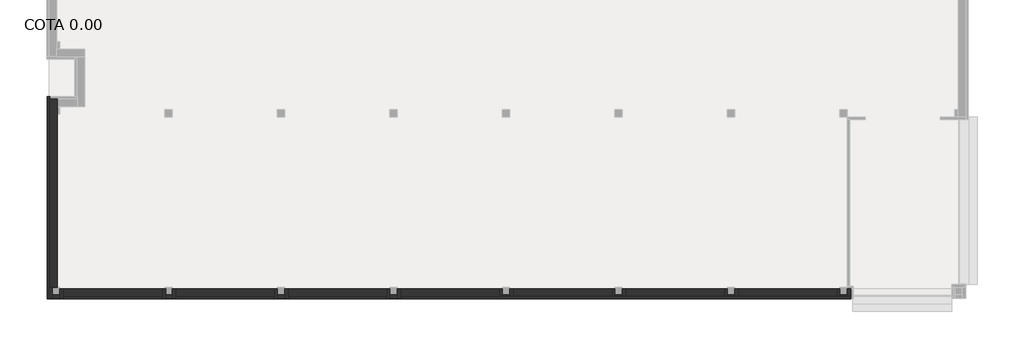
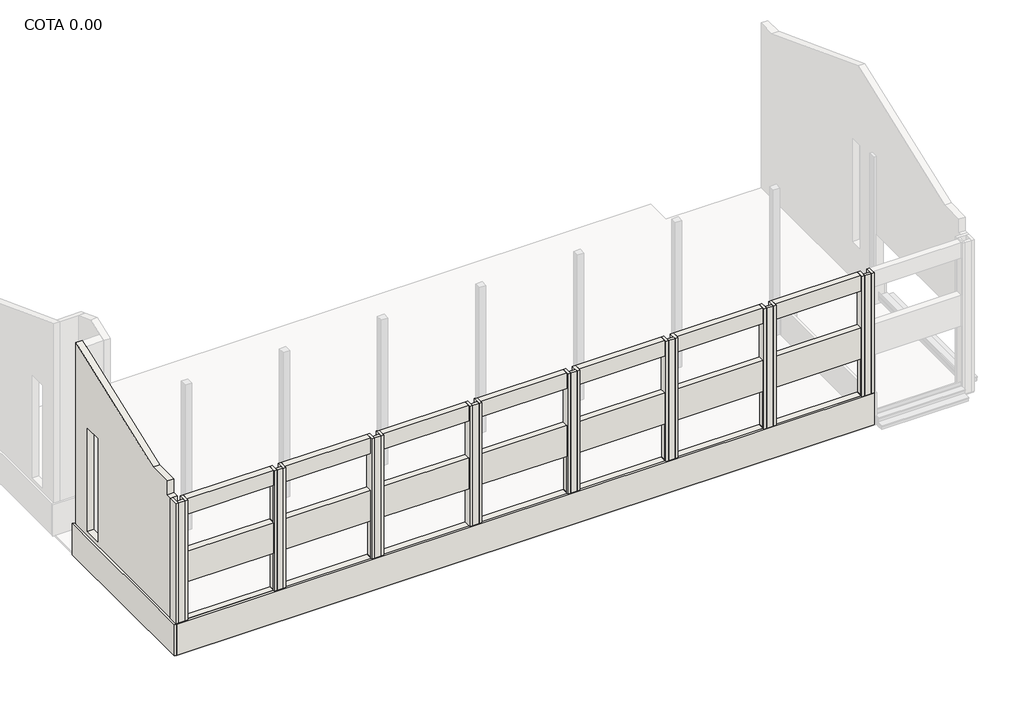
# One storey, part 1 of 3: 34 walls.
"""IFC4 building model written with IfcOpenShell, lengths in millimetres."""

import ifcopenshell
import ifcopenshell.guid

model = None  # the IFC model being written
_history = None  # IfcOwnerHistory: only IFC2X3 demands one
_inside = {}  # id of a spatial element -> (the spatial element, [elements in it])
_under = {}  # id of a project, library or spatial element -> (it, [spatial elements below it])
_declared = {}  # id of a project -> (the project, [libraries it declares])
_typed = {}  # id of a type object -> (the type object, [elements of that type])
_made_of = {}  # id of a material, layer set ... -> (it, [elements and type objects made of it])


def new_model(schema):
    """Start an empty IFC model of exactly this schema.

    Asked for "IFC4X3", IfcOpenShell would pick the latest addendum, in which some entities
    have other attributes; the version numbers below select the first issue.
    IFC2X3 requires an IfcOwnerHistory on every rooted entity: one is made here for all.
    """
    global model, _history
    if schema == "IFC4X3":
        model = ifcopenshell.file(schema_version=(4, 3, 0, 0))
    else:
        model = ifcopenshell.file(schema=schema)
    _inside.clear()
    _under.clear()
    _declared.clear()
    _typed.clear()
    _made_of.clear()
    _history = None
    if model.schema == "IFC2X3":
        org = make("IfcOrganization", Name="unknown")
        user = make(
            "IfcPersonAndOrganization",
            ThePerson=make("IfcPerson", FamilyName="unknown"),
            TheOrganization=org,
        )
        app = make(
            "IfcApplication",
            ApplicationDeveloper=org,
            Version="unknown",
            ApplicationFullName="unknown",
            ApplicationIdentifier="unknown",
        )
        _history = make(
            "IfcOwnerHistory",
            OwningUser=user,
            OwningApplication=app,
            ChangeAction="ADDED",
            CreationDate=0,
        )
    return model


def make(cls, **values):
    """One entity of the class cls with the attributes given. An attribute that is None is left unset."""
    return model.create_entity(
        cls, **{name: value for name, value in values.items() if value is not None}
    )


def rooted(cls, **values):
    """An entity with a GlobalId (a new one), such as an element, a storey or a relation."""
    return make(cls, GlobalId=ifcopenshell.guid.new(), OwnerHistory=_history, **values)


def si_unit(unit_type, name, prefix=None):
    """IfcSIUnit, for example si_unit("LENGTHUNIT", "METRE", prefix="MILLI")."""
    return make("IfcSIUnit", UnitType=unit_type, Prefix=prefix, Name=name)


def assignment(units):
    """IfcUnitAssignment: the units of a project."""
    return None if units is None else make("IfcUnitAssignment", Units=units)


def point(xyz):
    """IfcCartesianPoint."""
    return None if xyz is None else make("IfcCartesianPoint", Coordinates=xyz)


def direction(xyz):
    """IfcDirection."""
    return None if xyz is None else make("IfcDirection", DirectionRatios=xyz)


def frame(location, z_axis=None, x_axis=None):
    """IfcAxis2Placement3D, a coordinate frame: its origin and axes. An axis left out is left unset."""
    return make(
        "IfcAxis2Placement3D",
        Location=point(location),
        Axis=direction(z_axis),
        RefDirection=direction(x_axis),
    )


def origin():
    """The frame at (0, 0, 0) with its axes left unset."""
    return frame((0.0, 0.0, 0.0))


def origin_with_axes():
    """The frame at (0, 0, 0) with the z axis (0, 0, 1) and the x axis (1, 0, 0) written out."""
    return frame((0.0, 0.0, 0.0), z_axis=(0.0, 0.0, 1.0), x_axis=(1.0, 0.0, 0.0))


def place(relative_to, where):
    """IfcLocalPlacement: puts the frame where relative to a parent placement (None: the world)."""
    return make(
        "IfcLocalPlacement", PlacementRelTo=relative_to, RelativePlacement=where
    )


def context(
    kind, dimensions, precision=None, world=None, true_north=None, identifier=None
):
    """IfcGeometricRepresentationContext, for example the 3D "Model" context."""
    return make(
        "IfcGeometricRepresentationContext",
        ContextIdentifier=identifier,
        ContextType=kind,
        CoordinateSpaceDimension=dimensions,
        Precision=precision,
        WorldCoordinateSystem=world,
        TrueNorth=true_north,
    )


def project(units=None, contexts=None):
    """IfcProject with its units and contexts."""
    return rooted(
        "IfcProject",
        Name="project",
        RepresentationContexts=contexts,
        UnitsInContext=assignment(units),
    )


def spatial(cls, under=None, at=None, **own):
    """A site, building, storey or space (cls), placed at a placement, below another one or the project."""
    s = rooted(cls, ObjectPlacement=at, **own)
    if under is not None:
        _under.setdefault(under.id(), (under, []))[1].append(s)
    return s


def polyline(points):
    """IfcPolyline through the points."""
    return make("IfcPolyline", Points=[point(p) for p in points])


def outline(outer, holes=None, kind="AREA"):
    """IfcArbitraryClosedProfileDef: a profile drawn as a closed curve; with holes, ...WithVoids."""
    if holes is None:
        return make("IfcArbitraryClosedProfileDef", ProfileType=kind, OuterCurve=outer)
    return make(
        "IfcArbitraryProfileDefWithVoids",
        ProfileType=kind,
        OuterCurve=outer,
        InnerCurves=holes,
    )


def extrude(swept, where, along, depth):
    """IfcExtrudedAreaSolid: the profile swept, set in the frame where, extruded along a direction by depth."""
    return make(
        "IfcExtrudedAreaSolid",
        SweptArea=swept,
        Position=where,
        ExtrudedDirection=direction(along),
        Depth=depth,
    )


def faces_of(points, faces, orient=None, outer=None):
    """IfcFace entities. A face is a list of loops; a loop is a list of indices into points, from 0.

    orient and outer hold one flag for each loop. By default every Orientation is true, the
    first loop of a face is its IfcFaceOuterBound and the others are IfcFaceBound.
    """
    made = []
    for i, loops in enumerate(faces):
        bounds = []
        for j, loop in enumerate(loops):
            is_outer = j == 0 if outer is None else outer[i][j]
            bounds.append(
                make(
                    "IfcFaceOuterBound" if is_outer else "IfcFaceBound",
                    Bound=make("IfcPolyLoop", Polygon=[points[k] for k in loop]),
                    Orientation=True if orient is None else orient[i][j],
                )
            )
        made.append(make("IfcFace", Bounds=bounds))
    return made


def faceted_brep(points, faces, orient=None, outer=None, voids=None):
    """IfcFacetedBrep: a solid bounded by flat faces; with voids (closed shells), ...WithVoids."""
    shared = [point(p) for p in points]
    hull = make("IfcClosedShell", CfsFaces=faces_of(shared, faces, orient, outer))
    if voids is None:
        return make("IfcFacetedBrep", Outer=hull)
    return make(
        "IfcFacetedBrepWithVoids",
        Outer=hull,
        Voids=[
            make(cls, CfsFaces=faces_of(shared, fs, o, b)) for cls, fs, o, b in voids
        ],
    )


def shape(context_of_items, identifier, shape_type, items):
    """IfcShapeRepresentation: the items that make up one representation, for example the "Body"."""
    return make(
        "IfcShapeRepresentation",
        ContextOfItems=context_of_items,
        RepresentationIdentifier=identifier,
        RepresentationType=shape_type,
        Items=items,
    )


def made_of(thing, what):
    """Note that an element or type object is made of a material, layer set ...; save() writes the relation."""
    if what is not None:
        _made_of.setdefault(what.id(), (what, []))[1].append(thing)
    return thing


def element(
    cls,
    number,
    at=None,
    inside=None,
    cuts=None,
    type_object=None,
    material=None,
    context=None,
    identifier="Body",
    shape_type=None,
    held_by="IfcProductDefinitionShape",
    body=None,
    shapes=None,
    **own,
):
    """One element of the class cls, such as IfcWall. Its Tag is "e" and its number.

    at: its placement. inside: the storey or other place that contains it. cuts: it is an
    opening in that element (IfcRelVoidsElement). A single representation is given by context,
    identifier, shape_type and body (its items); several are given by shapes. held_by: the class
    of the entity that holds the representations. save() writes the other relations.
    """
    e = rooted(cls, Tag="e%d" % number, ObjectPlacement=at, **own)
    if body is not None:
        shapes = [shape(context, identifier, shape_type, body)]
    if shapes is not None:
        e.Representation = make(held_by, Representations=shapes)
    if inside is not None:
        _inside.setdefault(inside.id(), (inside, []))[1].append(e)
    if cuts is not None:
        rooted(
            "IfcRelVoidsElement", RelatingBuildingElement=cuts, RelatedOpeningElement=e
        )
    if type_object is not None:
        _typed.setdefault(type_object.id(), (type_object, []))[1].append(e)
    return made_of(e, material)


def aggregate(whole, parts):
    """IfcRelAggregates: a whole, such as a stair, and the parts it consists of."""
    return rooted("IfcRelAggregates", RelatingObject=whole, RelatedObjects=parts)


def save(model, path):
    """Write the relations noted so far, then the file.

    IfcRelAggregates (storeys below a building ...), IfcRelContainedInSpatialStructure (elements
    in a storey), IfcRelDefinesByType, IfcRelAssociatesMaterial and IfcRelDeclares: one each for
    every whole, place, type object, material and project.
    """
    for whole, parts in _under.values():
        aggregate(whole, parts)
    for where, things in _inside.values():
        rooted(
            "IfcRelContainedInSpatialStructure",
            RelatedElements=things,
            RelatingStructure=where,
        )
    for kind, things in _typed.values():
        rooted("IfcRelDefinesByType", RelatedObjects=things, RelatingType=kind)
    for what, things in _made_of.values():
        rooted("IfcRelAssociatesMaterial", RelatedObjects=things, RelatingMaterial=what)
    for by, libraries in _declared.values():
        rooted("IfcRelDeclares", RelatingContext=by, RelatedDefinitions=libraries)
    model.write(path)


model = new_model("IFC4")

# Units and contexts
model_context = context("Model", 3, world=origin())
ifc_project = project(units=[si_unit("LENGTHUNIT", "METRE", prefix="MILLI")], contexts=[model_context])

# Site, building, storey
site = spatial("IfcSite", under=ifc_project)
building = spatial("IfcBuilding", under=site)
storey = spatial("IfcBuildingStorey", under=building, Name="COTA 0.00", Elevation=0.0)

# Walls
placement = place(None, origin())
element("IfcWall", 1, at=placement, inside=storey, context=model_context, shape_type="Brep", body=[
    faceted_brep([(-20786.9563501, -6652.6875201, 0.0), (-20786.9563501, -6552.6875201, 0.0), (-20786.9563501, 1357.3124799, 0.0), (-20786.9563501, 1457.3124799, 0.0), (-20786.9563501, 1457.3124799, 1514.4), (-20786.9563501, 1357.3124799, 1514.4), (-20786.9563501, -6552.6875201, 1514.4), (-20786.9563501, -6652.6875201, 1514.4), (-20886.9563501, -6652.6875201, 0.0), (-20886.9563501, -6652.6875201, 1514.4), (-20886.9563501, 1457.3124799, 1514.4), (-20886.9563501, 1457.3124799, 0.0)], [[[0, 1, 2, 3, 4, 5, 6, 7]], [[8, 9, 10, 11]], [[3, 2, 1, 0, 8, 11]], [[7, 6, 5, 4, 10, 9]], [[4, 3, 11, 10]], [[0, 7, 9, 8]]]),
])
element("IfcWall", 2, at=placement, inside=storey, context=model_context, shape_type="SweptSolid", body=[
    extrude(outline(polyline([(-20786.9563501, -6552.6875201), (11248.0436499, -6552.6875201), (11248.0436499, -6652.6875201), (-20786.9563501, -6652.6875201), (-20786.9563501, -6552.6875201)])), origin_with_axes(), (0.0, 0.0, 1.0), 1514.4),
])
element("IfcWall", 3, ObjectType="MEX_13 cm", at=placement, inside=storey, context=model_context, shape_type="Brep", body=[
    faceted_brep([(-20816.9563501, -6192.6875201, 0.0), (-20816.9563501, -6622.6875201, 0.0), (-20816.9563501, -6622.6875201, 7350.0), (-20816.9563501, -6192.6875201, 7350.0), (-20686.9563501, -6192.6875201, 0.0), (-20686.9563501, -6192.6875201, 7350.0), (-20686.9563501, -6492.6875201, 7350.0), (-20686.9563501, -6622.6875201, 7350.0), (-20686.9563501, -6622.6875201, 0.0), (-20686.9563501, -6492.6875201, 0.0), (-20786.9563501, -6192.6875201, 0.0), (-20786.9563501, -6192.6875201, 7350.0)], [[[0, 1, 2, 3]], [[4, 5, 6, 7, 8, 9]], [[1, 0, 10, 4, 9, 8]], [[3, 2, 7, 6, 5, 11]], [[0, 3, 11, 5, 4, 10]], [[2, 1, 8, 7]]]),
])
element("IfcWall", 4, ObjectType="MEX_13 cm", at=placement, inside=storey, context=model_context, shape_type="SweptSolid", body=[
    extrude(outline(polyline([(-20386.9563501, -6622.6875201), (-20686.9563501, -6622.6875201), (-20686.9563501, -6492.6875201), (-20386.9563501, -6492.6875201), (-20386.9563501, -6622.6875201)])), origin_with_axes(), (0.0, 0.0, 1.0), 7350.0),
])
element("IfcWall", 5, ObjectType="MEX_13 cm", at=placement, inside=storey, context=model_context, shape_type="Brep", body=[
    faceted_brep([(-11816.9563501, -6252.6875201, 0.0), (-11816.9563501, -6552.6875201, 0.0), (-11816.9563501, -6622.6875201, 0.0), (-11816.9563501, -6622.6875201, 7350.0), (-11816.9563501, -6552.6875201, 7350.0), (-11816.9563501, -6252.6875201, 7350.0), (-11816.9563501, -6252.6875201, 6604.4), (-11816.9563501, -6252.6875201, 4804.4), (-11816.9563501, -6252.6875201, 3314.4), (-11816.9563501, -6552.6875201, 3314.4), (-11816.9563501, -6552.6875201, 1514.4), (-11816.9563501, -6252.6875201, 1514.4), (-11686.9563501, -6622.6875201, 0.0), (-11686.9563501, -6492.6875201, 0.0), (-11686.9563501, -6252.6875201, 0.0), (-11686.9563501, -6252.6875201, 7350.0), (-11686.9563501, -6492.6875201, 7350.0), (-11686.9563501, -6622.6875201, 7350.0), (-11786.9563501, -6252.6875201, 1514.4), (-11786.9563501, -6252.6875201, 3314.4), (-11786.9563501, -6552.6875201, 3314.4), (-11786.9563501, -6552.6875201, 1514.4)], [[[0, 1, 2, 3, 4, 5, 6, 7, 8, 9, 10, 11]], [[12, 13, 14, 15, 16, 17]], [[2, 1, 0, 14, 13, 12]], [[5, 4, 3, 17, 16, 15]], [[3, 2, 12, 17]], [[5, 15, 14, 0, 11, 18, 19, 8, 7, 6]], [[20, 21, 10, 9]], [[19, 20, 9, 8]], [[21, 18, 11, 10]], [[21, 20, 19, 18]]]),
])
element("IfcWall", 6, ObjectType="MEX_13 cm", at=placement, inside=storey, context=model_context, shape_type="SweptSolid", body=[
    extrude(outline(polyline([(-11386.9563501, -6622.6875201), (-11686.9563501, -6622.6875201), (-11686.9563501, -6492.6875201), (-11386.9563501, -6492.6875201), (-11386.9563501, -6622.6875201)])), origin_with_axes(), (0.0, 0.0, 1.0), 7350.0),
])
element("IfcWall", 7, ObjectType="MEX_13 cm", at=placement, inside=storey, context=model_context, shape_type="Brep", body=[
    faceted_brep([(-11256.9563501, -6622.6875201, 0.0), (-11256.9563501, -6552.6875201, 0.0), (-11256.9563501, -6252.6875201, 0.0), (-11256.9563501, -6252.6875201, 1514.4), (-11256.9563501, -6552.6875201, 1514.4), (-11256.9563501, -6552.6875201, 3314.4), (-11256.9563501, -6252.6875201, 3314.4), (-11256.9563501, -6252.6875201, 4804.4), (-11256.9563501, -6552.6875201, 4804.4), (-11256.9563501, -6552.6875201, 6604.4), (-11256.9563501, -6252.6875201, 6604.4), (-11256.9563501, -6252.6875201, 7350.0), (-11256.9563501, -6552.6875201, 7350.0), (-11256.9563501, -6622.6875201, 7350.0), (-11256.9563501, -6622.6875201, 6578.0), (-11256.9563501, -6622.6875201, 1514.4), (-11386.9563501, -6252.6875201, 0.0), (-11386.9563501, -6492.6875201, 0.0), (-11386.9563501, -6622.6875201, 0.0), (-11386.9563501, -6622.6875201, 7350.0), (-11386.9563501, -6492.6875201, 7350.0), (-11386.9563501, -6252.6875201, 7350.0), (-11286.9563501, -6552.6875201, 1514.4), (-11286.9563501, -6552.6875201, 3314.4), (-11286.9563501, -6252.6875201, 3314.4), (-11286.9563501, -6252.6875201, 1514.4), (-11286.9563501, -6552.6875201, 4804.4), (-11286.9563501, -6552.6875201, 6604.4), (-11286.9563501, -6252.6875201, 6604.4), (-11286.9563501, -6252.6875201, 4804.4)], [[[0, 1, 2, 3, 4, 5, 6, 7, 8, 9, 10, 11, 12, 13, 14, 15]], [[16, 17, 18, 19, 20, 21]], [[2, 1, 0, 18, 17, 16]], [[13, 12, 11, 21, 20, 19]], [[22, 23, 5, 4]], [[23, 24, 6, 5]], [[23, 22, 25, 24]], [[25, 22, 4, 3]], [[26, 27, 9, 8]], [[27, 28, 10, 9]], [[27, 26, 29, 28]], [[29, 26, 8, 7]], [[13, 19, 18, 0, 15, 14]], [[2, 16, 21, 11, 10, 28, 29, 7, 6, 24, 25, 3]]]),
])
element("IfcWall", 8, ObjectType="MEX_13 cm", at=placement, inside=storey, context=model_context, shape_type="Brep", body=[
    faceted_brep([(-7316.9563501, -6252.6875201, 0.0), (-7316.9563501, -6552.6875201, 0.0), (-7316.9563501, -6622.6875201, 0.0), (-7316.9563501, -6622.6875201, 1514.4), (-7316.9563501, -6622.6875201, 6578.0), (-7316.9563501, -6622.6875201, 7350.0), (-7316.9563501, -6552.6875201, 7350.0), (-7316.9563501, -6252.6875201, 7350.0), (-7316.9563501, -6252.6875201, 6604.4), (-7316.9563501, -6252.6875201, 4804.4), (-7316.9563501, -6252.6875201, 3314.4), (-7316.9563501, -6252.6875201, 1514.4), (-7186.9563501, -6252.6875201, 0.0), (-7186.9563501, -6252.6875201, 7350.0), (-7186.9563501, -6492.6875201, 7350.0), (-7186.9563501, -6622.6875201, 7350.0), (-7186.9563501, -6622.6875201, 0.0), (-7186.9563501, -6492.6875201, 0.0)], [[[0, 1, 2, 3, 4, 5, 6, 7, 8, 9, 10, 11]], [[12, 13, 14, 15, 16, 17]], [[2, 1, 0, 12, 17, 16]], [[7, 6, 5, 15, 14, 13]], [[2, 16, 15, 5, 4, 3]], [[0, 11, 10, 9, 8, 7, 13, 12]]]),
])
element("IfcWall", 9, ObjectType="MEX_13 cm", at=placement, inside=storey, context=model_context, shape_type="SweptSolid", body=[
    extrude(outline(polyline([(-6886.9563501, -6622.6875201), (-7186.9563501, -6622.6875201), (-7186.9563501, -6492.6875201), (-6886.9563501, -6492.6875201), (-6886.9563501, -6622.6875201)])), origin_with_axes(), (0.0, 0.0, 1.0), 7350.0),
])
element("IfcWall", 10, ObjectType="MEX_13 cm", at=placement, inside=storey, context=model_context, shape_type="Brep", body=[
    faceted_brep([(-6756.9563501, -6622.6875201, 0.0), (-6756.9563501, -6552.6875201, 0.0), (-6756.9563501, -6252.6875201, 0.0), (-6756.9563501, -6252.6875201, 1514.4), (-6756.9563501, -6552.6875201, 1514.4), (-6756.9563501, -6552.6875201, 3314.4), (-6756.9563501, -6252.6875201, 3314.4), (-6756.9563501, -6252.6875201, 4804.4), (-6756.9563501, -6552.6875201, 4804.4), (-6756.9563501, -6552.6875201, 6604.4), (-6756.9563501, -6252.6875201, 6604.4), (-6756.9563501, -6252.6875201, 7350.0), (-6756.9563501, -6552.6875201, 7350.0), (-6756.9563501, -6622.6875201, 7350.0), (-6886.9563501, -6252.6875201, 0.0), (-6886.9563501, -6492.6875201, 0.0), (-6886.9563501, -6622.6875201, 0.0), (-6886.9563501, -6622.6875201, 7350.0), (-6886.9563501, -6492.6875201, 7350.0), (-6886.9563501, -6252.6875201, 7350.0), (-6786.9563501, -6252.6875201, 6604.4), (-6786.9563501, -6252.6875201, 4804.4), (-6786.9563501, -6252.6875201, 3314.4), (-6786.9563501, -6252.6875201, 1514.4), (-6786.9563501, -6552.6875201, 1514.4), (-6786.9563501, -6552.6875201, 3314.4), (-6786.9563501, -6552.6875201, 4804.4), (-6786.9563501, -6552.6875201, 6604.4)], [[[0, 1, 2, 3, 4, 5, 6, 7, 8, 9, 10, 11, 12, 13]], [[14, 15, 16, 17, 18, 19]], [[2, 1, 0, 16, 15, 14]], [[13, 12, 11, 19, 18, 17]], [[2, 14, 19, 11, 10, 20, 21, 7, 6, 22, 23, 3]], [[24, 25, 5, 4]], [[25, 22, 6, 5]], [[25, 24, 23, 22]], [[23, 24, 4, 3]], [[26, 27, 9, 8]], [[27, 20, 10, 9]], [[27, 26, 21, 20]], [[21, 26, 8, 7]], [[13, 17, 16, 0]]]),
])
element("IfcWall", 11, ObjectType="MEX_13 cm", at=placement, inside=storey, context=model_context, shape_type="Brep", body=[
    faceted_brep([(-2816.9563501, -6252.6875201, 0.0), (-2816.9563501, -6552.6875201, 0.0), (-2816.9563501, -6622.6875201, 0.0), (-2816.9563501, -6622.6875201, 7350.0), (-2816.9563501, -6552.6875201, 7350.0), (-2816.9563501, -6252.6875201, 7350.0), (-2816.9563501, -6252.6875201, 6604.4), (-2816.9563501, -6252.6875201, 4804.4), (-2816.9563501, -6252.6875201, 3314.4), (-2816.9563501, -6552.6875201, 3314.4), (-2816.9563501, -6552.6875201, 1514.4), (-2816.9563501, -6252.6875201, 1514.4), (-2686.9563501, -6622.6875201, 0.0), (-2686.9563501, -6492.6875201, 0.0), (-2686.9563501, -6252.6875201, 0.0), (-2686.9563501, -6252.6875201, 7350.0), (-2686.9563501, -6492.6875201, 7350.0), (-2686.9563501, -6622.6875201, 7350.0), (-2786.9563501, -6252.6875201, 1514.4), (-2786.9563501, -6252.6875201, 3314.4), (-2786.9563501, -6552.6875201, 3314.4), (-2786.9563501, -6552.6875201, 1514.4)], [[[0, 1, 2, 3, 4, 5, 6, 7, 8, 9, 10, 11]], [[12, 13, 14, 15, 16, 17]], [[2, 1, 0, 14, 13, 12]], [[5, 4, 3, 17, 16, 15]], [[5, 15, 14, 0, 11, 18, 19, 8, 7, 6]], [[20, 21, 10, 9]], [[21, 20, 19, 18]], [[19, 20, 9, 8]], [[21, 18, 11, 10]], [[2, 12, 17, 3]]]),
])
element("IfcWall", 12, ObjectType="MEX_13 cm", at=placement, inside=storey, context=model_context, shape_type="SweptSolid", body=[
    extrude(outline(polyline([(-2386.9563501, -6622.6875201), (-2686.9563501, -6622.6875201), (-2686.9563501, -6492.6875201), (-2386.9563501, -6492.6875201), (-2386.9563501, -6622.6875201)])), origin_with_axes(), (0.0, 0.0, 1.0), 7350.0),
])
element("IfcWall", 13, ObjectType="MEX_13 cm", at=placement, inside=storey, context=model_context, shape_type="Brep", body=[
    faceted_brep([(-2256.9563501, -6622.6875201, 0.0), (-2256.9563501, -6552.6875201, 0.0), (-2256.9563501, -6252.6875201, 0.0), (-2256.9563501, -6252.6875201, 1514.4), (-2256.9563501, -6552.6875201, 1514.4), (-2256.9563501, -6552.6875201, 3314.4), (-2256.9563501, -6252.6875201, 3314.4), (-2256.9563501, -6252.6875201, 4804.4), (-2256.9563501, -6552.6875201, 4804.4), (-2256.9563501, -6552.6875201, 6604.4), (-2256.9563501, -6252.6875201, 6604.4), (-2256.9563501, -6252.6875201, 7350.0), (-2256.9563501, -6552.6875201, 7350.0), (-2256.9563501, -6622.6875201, 7350.0), (-2386.9563501, -6252.6875201, 0.0), (-2386.9563501, -6492.6875201, 0.0), (-2386.9563501, -6622.6875201, 0.0), (-2386.9563501, -6622.6875201, 7350.0), (-2386.9563501, -6492.6875201, 7350.0), (-2386.9563501, -6252.6875201, 7350.0), (-2286.9563501, -6252.6875201, 6604.4), (-2286.9563501, -6252.6875201, 4804.4), (-2286.9563501, -6252.6875201, 3314.4), (-2286.9563501, -6252.6875201, 1514.4), (-2286.9563501, -6552.6875201, 1514.4), (-2286.9563501, -6552.6875201, 3314.4), (-2286.9563501, -6552.6875201, 4804.4), (-2286.9563501, -6552.6875201, 6604.4)], [[[0, 1, 2, 3, 4, 5, 6, 7, 8, 9, 10, 11, 12, 13]], [[14, 15, 16, 17, 18, 19]], [[2, 1, 0, 16, 15, 14]], [[13, 12, 11, 19, 18, 17]], [[2, 14, 19, 11, 10, 20, 21, 7, 6, 22, 23, 3]], [[24, 25, 5, 4]], [[25, 22, 6, 5]], [[25, 24, 23, 22]], [[23, 24, 4, 3]], [[26, 27, 9, 8]], [[27, 20, 10, 9]], [[27, 26, 21, 20]], [[21, 26, 8, 7]], [[13, 17, 16, 0]]]),
])
element("IfcWall", 14, ObjectType="MEX_13 cm", at=placement, inside=storey, context=model_context, shape_type="Brep", body=[
    faceted_brep([(1683.0436499, -6252.6875201, 0.0), (1683.0436499, -6552.6875201, 0.0), (1683.0436499, -6622.6875201, 0.0), (1683.0436499, -6622.6875201, 7350.0), (1683.0436499, -6552.6875201, 7350.0), (1683.0436499, -6252.6875201, 7350.0), (1683.0436499, -6252.6875201, 6604.4), (1683.0436499, -6252.6875201, 4804.4), (1683.0436499, -6252.6875201, 3314.4), (1683.0436499, -6552.6875201, 3314.4), (1683.0436499, -6552.6875201, 1514.4), (1683.0436499, -6252.6875201, 1514.4), (1813.0436499, -6622.6875201, 0.0), (1813.0436499, -6492.6875201, 0.0), (1813.0436499, -6252.6875201, 0.0), (1813.0436499, -6252.6875201, 7350.0), (1813.0436499, -6492.6875201, 7350.0), (1813.0436499, -6622.6875201, 7350.0), (1713.0436499, -6252.6875201, 1514.4), (1713.0436499, -6252.6875201, 3314.4), (1713.0436499, -6552.6875201, 3314.4), (1713.0436499, -6552.6875201, 1514.4)], [[[0, 1, 2, 3, 4, 5, 6, 7, 8, 9, 10, 11]], [[12, 13, 14, 15, 16, 17]], [[2, 1, 0, 14, 13, 12]], [[5, 4, 3, 17, 16, 15]], [[5, 15, 14, 0, 11, 18, 19, 8, 7, 6]], [[20, 21, 10, 9]], [[21, 20, 19, 18]], [[19, 20, 9, 8]], [[21, 18, 11, 10]], [[2, 12, 17, 3]]]),
])
element("IfcWall", 15, ObjectType="MEX_13 cm", at=placement, inside=storey, context=model_context, shape_type="SweptSolid", body=[
    extrude(outline(polyline([(2113.0436499, -6622.6875201), (1813.0436499, -6622.6875201), (1813.0436499, -6492.6875201), (2113.0436499, -6492.6875201), (2113.0436499, -6622.6875201)])), origin_with_axes(), (0.0, 0.0, 1.0), 7350.0),
])
element("IfcWall", 16, ObjectType="MEX_13 cm", at=placement, inside=storey, context=model_context, shape_type="Brep", body=[
    faceted_brep([(2243.0436499, -6622.6875201, 0.0), (2243.0436499, -6552.6875201, 0.0), (2243.0436499, -6252.6875201, 0.0), (2243.0436499, -6252.6875201, 1514.4), (2243.0436499, -6552.6875201, 1514.4), (2243.0436499, -6552.6875201, 3314.4), (2243.0436499, -6252.6875201, 3314.4), (2243.0436499, -6252.6875201, 4804.4), (2243.0436499, -6552.6875201, 4804.4), (2243.0436499, -6552.6875201, 6604.4), (2243.0436499, -6252.6875201, 6604.4), (2243.0436499, -6252.6875201, 7350.0), (2243.0436499, -6552.6875201, 7350.0), (2243.0436499, -6622.6875201, 7350.0), (2113.0436499, -6252.6875201, 0.0), (2113.0436499, -6492.6875201, 0.0), (2113.0436499, -6622.6875201, 0.0), (2113.0436499, -6622.6875201, 7350.0), (2113.0436499, -6492.6875201, 7350.0), (2113.0436499, -6252.6875201, 7350.0), (2213.0436499, -6252.6875201, 6604.4), (2213.0436499, -6252.6875201, 4804.4), (2213.0436499, -6252.6875201, 3314.4), (2213.0436499, -6252.6875201, 1514.4), (2213.0436499, -6552.6875201, 1514.4), (2213.0436499, -6552.6875201, 3314.4), (2213.0436499, -6552.6875201, 4804.4), (2213.0436499, -6552.6875201, 6604.4)], [[[0, 1, 2, 3, 4, 5, 6, 7, 8, 9, 10, 11, 12, 13]], [[14, 15, 16, 17, 18, 19]], [[2, 1, 0, 16, 15, 14]], [[13, 12, 11, 19, 18, 17]], [[2, 14, 19, 11, 10, 20, 21, 7, 6, 22, 23, 3]], [[24, 25, 5, 4]], [[25, 22, 6, 5]], [[25, 24, 23, 22]], [[23, 24, 4, 3]], [[26, 27, 9, 8]], [[27, 20, 10, 9]], [[27, 26, 21, 20]], [[21, 26, 8, 7]], [[13, 17, 16, 0]]]),
])
element("IfcWall", 17, ObjectType="MEX_13 cm", at=placement, inside=storey, context=model_context, shape_type="Brep", body=[
    faceted_brep([(6183.0436499, -6252.6875201, 0.0), (6183.0436499, -6552.6875201, 0.0), (6183.0436499, -6622.6875201, 0.0), (6183.0436499, -6622.6875201, 7350.0), (6183.0436499, -6552.6875201, 7350.0), (6183.0436499, -6252.6875201, 7350.0), (6183.0436499, -6252.6875201, 6604.4), (6183.0436499, -6252.6875201, 4804.4), (6183.0436499, -6252.6875201, 3314.4), (6183.0436499, -6552.6875201, 3314.4), (6183.0436499, -6552.6875201, 1514.4), (6183.0436499, -6252.6875201, 1514.4), (6313.0436499, -6622.6875201, 0.0), (6313.0436499, -6492.6875201, 0.0), (6313.0436499, -6252.6875201, 0.0), (6313.0436499, -6252.6875201, 7350.0), (6313.0436499, -6492.6875201, 7350.0), (6313.0436499, -6622.6875201, 7350.0), (6213.0436499, -6252.6875201, 1514.4), (6213.0436499, -6252.6875201, 3314.4), (6213.0436499, -6552.6875201, 3314.4), (6213.0436499, -6552.6875201, 1514.4)], [[[0, 1, 2, 3, 4, 5, 6, 7, 8, 9, 10, 11]], [[12, 13, 14, 15, 16, 17]], [[2, 1, 0, 14, 13, 12]], [[5, 4, 3, 17, 16, 15]], [[5, 15, 14, 0, 11, 18, 19, 8, 7, 6]], [[20, 21, 10, 9]], [[21, 20, 19, 18]], [[19, 20, 9, 8]], [[21, 18, 11, 10]], [[2, 12, 17, 3]]]),
])
element("IfcWall", 18, ObjectType="MEX_13 cm", at=placement, inside=storey, context=model_context, shape_type="SweptSolid", body=[
    extrude(outline(polyline([(6613.0436499, -6622.6875201), (6313.0436499, -6622.6875201), (6313.0436499, -6492.6875201), (6613.0436499, -6492.6875201), (6613.0436499, -6622.6875201)])), origin_with_axes(), (0.0, 0.0, 1.0), 7350.0),
])
element("IfcWall", 19, ObjectType="MEX_13 cm", at=placement, inside=storey, context=model_context, shape_type="Brep", body=[
    faceted_brep([(6743.0436499, -6622.6875201, 0.0), (6743.0436499, -6552.6875201, 0.0), (6743.0436499, -6252.6875201, 0.0), (6743.0436499, -6252.6875201, 1514.4), (6743.0436499, -6552.6875201, 1514.4), (6743.0436499, -6552.6875201, 3314.4), (6743.0436499, -6252.6875201, 3314.4), (6743.0436499, -6252.6875201, 4804.4), (6743.0436499, -6552.6875201, 4804.4), (6743.0436499, -6552.6875201, 6604.4), (6743.0436499, -6252.6875201, 6604.4), (6743.0436499, -6252.6875201, 7350.0), (6743.0436499, -6552.6875201, 7350.0), (6743.0436499, -6622.6875201, 7350.0), (6613.0436499, -6252.6875201, 0.0), (6613.0436499, -6492.6875201, 0.0), (6613.0436499, -6622.6875201, 0.0), (6613.0436499, -6622.6875201, 7350.0), (6613.0436499, -6492.6875201, 7350.0), (6613.0436499, -6252.6875201, 7350.0), (6713.0436499, -6252.6875201, 6604.4), (6713.0436499, -6252.6875201, 4804.4), (6713.0436499, -6252.6875201, 3314.4), (6713.0436499, -6252.6875201, 1514.4), (6713.0436499, -6552.6875201, 1514.4), (6713.0436499, -6552.6875201, 3314.4), (6713.0436499, -6552.6875201, 4804.4), (6713.0436499, -6552.6875201, 6604.4)], [[[0, 1, 2, 3, 4, 5, 6, 7, 8, 9, 10, 11, 12, 13]], [[14, 15, 16, 17, 18, 19]], [[2, 1, 0, 16, 15, 14]], [[13, 12, 11, 19, 18, 17]], [[2, 14, 19, 11, 10, 20, 21, 7, 6, 22, 23, 3]], [[24, 25, 5, 4]], [[25, 22, 6, 5]], [[25, 24, 23, 22]], [[23, 24, 4, 3]], [[26, 27, 9, 8]], [[27, 20, 10, 9]], [[27, 26, 21, 20]], [[21, 26, 8, 7]], [[13, 17, 16, 0]]]),
])
element("IfcWall", 20, ObjectType="MEX_13 cm", at=placement, inside=storey, context=model_context, shape_type="Brep", body=[
    faceted_brep([(10683.0436499, -6252.6875201, 0.0), (10683.0436499, -6552.6875201, 0.0), (10683.0436499, -6622.6875201, 0.0), (10683.0436499, -6622.6875201, 7350.0), (10683.0436499, -6552.6875201, 7350.0), (10683.0436499, -6252.6875201, 7350.0), (10683.0436499, -6252.6875201, 6604.4), (10683.0436499, -6252.6875201, 4804.4), (10683.0436499, -6252.6875201, 3314.4), (10683.0436499, -6552.6875201, 3314.4), (10683.0436499, -6552.6875201, 1514.4), (10683.0436499, -6252.6875201, 1514.4), (10813.0436499, -6622.6875201, 0.0), (10813.0436499, -6492.6875201, 0.0), (10813.0436499, -6252.6875201, 0.0), (10813.0436499, -6252.6875201, 7350.0), (10813.0436499, -6492.6875201, 7350.0), (10813.0436499, -6622.6875201, 7350.0), (10713.0436499, -6252.6875201, 1514.4), (10713.0436499, -6252.6875201, 3314.4), (10713.0436499, -6552.6875201, 3314.4), (10713.0436499, -6552.6875201, 1514.4)], [[[0, 1, 2, 3, 4, 5, 6, 7, 8, 9, 10, 11]], [[12, 13, 14, 15, 16, 17]], [[2, 1, 0, 14, 13, 12]], [[5, 4, 3, 17, 16, 15]], [[5, 15, 14, 0, 11, 18, 19, 8, 7, 6]], [[20, 21, 10, 9]], [[21, 20, 19, 18]], [[19, 20, 9, 8]], [[21, 18, 11, 10]], [[2, 12, 17, 3]]]),
])
element("IfcWall", 21, ObjectType="MEX_13 cm", at=placement, inside=storey, context=model_context, shape_type="SweptSolid", body=[
    extrude(outline(polyline([(11113.0436499, -6622.6875201), (10813.0436499, -6622.6875201), (10813.0436499, -6492.6875201), (11113.0436499, -6492.6875201), (11113.0436499, -6622.6875201)])), origin_with_axes(), (0.0, 0.0, 1.0), 7350.0),
])
element("IfcWall", 22, ObjectType="MEX_13 cm", at=placement, inside=storey, context=model_context, shape_type="Brep", body=[
    faceted_brep([(11243.0436499, -6622.6875201, 7350.0), (11243.0436499, -6622.6875201, 0.0), (11243.0436499, -6552.6875201, 0.0), (11243.0436499, -6252.6875201, 0.0), (11243.0436499, -6252.6875201, 7350.0), (11243.0436499, -6552.6875201, 7350.0), (11113.0436499, -6622.6875201, 0.0), (11113.0436499, -6622.6875201, 7350.0), (11113.0436499, -6492.6875201, 7350.0), (11113.0436499, -6252.6875201, 7350.0), (11113.0436499, -6252.6875201, 0.0), (11113.0436499, -6492.6875201, 0.0)], [[[0, 1, 2, 3, 4, 5]], [[6, 7, 8, 9, 10, 11]], [[3, 2, 1, 6, 11, 10]], [[0, 5, 4, 9, 8, 7]], [[4, 3, 10, 9]], [[0, 7, 6, 1]]]),
])
element("IfcWall", 23, ObjectType="MEX_13 cm", at=placement, inside=storey, context=model_context, shape_type="Brep", body=[
    faceted_brep([(-16286.1576542, -6252.6875201, 0.0), (-16286.1576542, -6552.6875201, 0.0), (-16286.1576542, -6622.6875201, 0.0), (-16286.1576542, -6622.6875201, 7350.0), (-16286.1576542, -6552.6875201, 7350.0), (-16286.1576542, -6252.6875201, 7350.0), (-16286.1576542, -6252.6875201, 6604.4), (-16286.1576542, -6552.6875201, 6604.4), (-16286.1576542, -6552.6875201, 4804.4), (-16286.1576542, -6252.6875201, 4804.4), (-16286.1576542, -6252.6875201, 3314.4), (-16286.1576542, -6552.6875201, 3314.4), (-16286.1576542, -6552.6875201, 1514.4), (-16286.1576542, -6252.6875201, 1514.4), (-16156.1576542, -6622.6875201, 0.0), (-16156.1576542, -6492.6875201, 0.0), (-16156.1576542, -6252.6875201, 0.0), (-16156.1576542, -6252.6875201, 7350.0), (-16156.1576542, -6492.6875201, 7350.0), (-16156.1576542, -6622.6875201, 7350.0), (-16256.9563501, -6552.6875201, 3314.4), (-16256.9563501, -6552.6875201, 1514.4), (-16256.9563501, -6252.6875201, 3314.4), (-16256.9563501, -6252.6875201, 1514.4), (-16256.9563501, -6552.6875201, 6604.4), (-16256.9563501, -6552.6875201, 4804.4), (-16256.9563501, -6252.6875201, 6604.4), (-16256.9563501, -6252.6875201, 4804.4)], [[[0, 1, 2, 3, 4, 5, 6, 7, 8, 9, 10, 11, 12, 13]], [[14, 15, 16, 17, 18, 19]], [[2, 1, 0, 16, 15, 14]], [[5, 4, 3, 19, 18, 17]], [[20, 21, 12, 11]], [[21, 20, 22, 23]], [[22, 20, 11, 10]], [[21, 23, 13, 12]], [[24, 25, 8, 7]], [[25, 24, 26, 27]], [[26, 24, 7, 6]], [[25, 27, 9, 8]], [[2, 14, 19, 3]], [[5, 17, 16, 0, 13, 23, 22, 10, 9, 27, 26, 6]]]),
])
element("IfcWall", 24, ObjectType="MEX_13 cm", at=placement, inside=storey, context=model_context, shape_type="SweptSolid", body=[
    extrude(outline(polyline([(-15886.9563501, -6622.6875201), (-16156.1576542, -6622.6875201), (-16156.1576542, -6492.6875201), (-15886.9563501, -6492.6875201), (-15886.9563501, -6622.6875201)])), origin_with_axes(), (0.0, 0.0, 1.0), 7350.0),
])
element("IfcWall", 25, ObjectType="MEX_13 cm", at=placement, inside=storey, context=model_context, shape_type="Brep", body=[
    faceted_brep([(-15756.9563501, -6622.6875201, 0.0), (-15756.9563501, -6552.6875201, 0.0), (-15756.9563501, -6252.6875201, 0.0), (-15756.9563501, -6252.6875201, 1514.4), (-15756.9563501, -6552.6875201, 1514.4), (-15756.9563501, -6552.6875201, 3314.4), (-15756.9563501, -6252.6875201, 3314.4), (-15756.9563501, -6252.6875201, 4804.4), (-15756.9563501, -6552.6875201, 4804.4), (-15756.9563501, -6552.6875201, 6604.4), (-15756.9563501, -6252.6875201, 6604.4), (-15756.9563501, -6252.6875201, 7350.0), (-15756.9563501, -6552.6875201, 7350.0), (-15756.9563501, -6622.6875201, 7350.0), (-15886.9563501, -6252.6875201, 0.0), (-15886.9563501, -6492.6875201, 0.0), (-15886.9563501, -6622.6875201, 0.0), (-15886.9563501, -6622.6875201, 7350.0), (-15886.9563501, -6492.6875201, 7350.0), (-15886.9563501, -6252.6875201, 7350.0), (-15786.9563501, -6252.6875201, 6604.4), (-15786.9563501, -6252.6875201, 4804.4), (-15786.9563501, -6252.6875201, 3314.4), (-15786.9563501, -6252.6875201, 1514.4), (-15786.9563501, -6552.6875201, 1514.4), (-15786.9563501, -6552.6875201, 3314.4), (-15786.9563501, -6552.6875201, 4804.4), (-15786.9563501, -6552.6875201, 6604.4)], [[[0, 1, 2, 3, 4, 5, 6, 7, 8, 9, 10, 11, 12, 13]], [[14, 15, 16, 17, 18, 19]], [[2, 1, 0, 16, 15, 14]], [[13, 12, 11, 19, 18, 17]], [[2, 14, 19, 11, 10, 20, 21, 7, 6, 22, 23, 3]], [[0, 13, 17, 16]], [[24, 25, 5, 4]], [[25, 22, 6, 5]], [[25, 24, 23, 22]], [[23, 24, 4, 3]], [[26, 27, 9, 8]], [[27, 20, 10, 9]], [[27, 26, 21, 20]], [[21, 26, 8, 7]]]),
])
element("IfcWall", 26, ObjectType="MEX_13 cm", at=placement, inside=storey, context=model_context, shape_type="Brep", body=[
    faceted_brep([(-20256.9563501, -6622.6875201, 7350.0), (-20256.9563501, -6622.6875201, 6578.0), (-20256.9563501, -6622.6875201, 1514.4), (-20256.9563501, -6622.6875201, 0.0), (-20256.9563501, -6552.6875201, 0.0), (-20256.9563501, -6252.6875201, 0.0), (-20256.9563501, -6252.6875201, 1514.4), (-20256.9563501, -6252.6875201, 3314.4), (-20256.9563501, -6252.6875201, 4804.4), (-20256.9563501, -6252.6875201, 6604.4), (-20256.9563501, -6252.6875201, 7350.0), (-20256.9563501, -6552.6875201, 7350.0), (-20386.9563501, -6622.6875201, 0.0), (-20386.9563501, -6622.6875201, 7350.0), (-20386.9563501, -6492.6875201, 7350.0), (-20386.9563501, -6252.6875201, 7350.0), (-20386.9563501, -6252.6875201, 0.0), (-20386.9563501, -6492.6875201, 0.0)], [[[0, 1, 2, 3, 4, 5, 6, 7, 8, 9, 10, 11]], [[12, 13, 14, 15, 16, 17]], [[5, 4, 3, 12, 17, 16]], [[0, 11, 10, 15, 14, 13]], [[10, 9, 8, 7, 6, 5, 16, 15]], [[0, 13, 12, 3, 2, 1]]]),
])
element("IfcWall", 27, ObjectType="MEX_30 cm", at=placement, inside=storey, context=model_context, shape_type="SweptSolid", body=[
    extrude(outline(polyline([(-11816.9563501, -6552.6875201), (-15756.9563501, -6552.6875201), (-15756.9563501, -6252.6875201), (-11816.9563501, -6252.6875201), (-11816.9563501, -6552.6875201)])), origin_with_axes(), (0.0, 0.0, 1.0), 1514.4),
    extrude(outline(polyline([(-15756.9563501, -6552.6875201), (-15756.9563501, -6252.6875201), (-11816.9563501, -6252.6875201), (-11816.9563501, -6552.6875201), (-15756.9563501, -6552.6875201)])), frame((0.0, 0.0, 6604.4), z_axis=(0.0, 0.0, 1.0), x_axis=(1.0, 0.0, 0.0)), (0.0, 0.0, 1.0), 745.6),
    extrude(outline(polyline([(-11816.9563501, -6252.6875201), (-11816.9563501, -6552.6875201), (-15756.9563501, -6552.6875201), (-15756.9563501, -6252.6875201), (-11816.9563501, -6252.6875201)])), frame((0.0, 0.0, 3314.4), z_axis=(0.0, 0.0, 1.0), x_axis=(1.0, 0.0, 0.0)), (0.0, 0.0, 1.0), 1490.0),
])
element("IfcWall", 28, ObjectType="MEX_30 cm", at=placement, inside=storey, context=model_context, shape_type="SweptSolid", body=[
    extrude(outline(polyline([(-7316.9563501, -6552.6875201), (-11256.9563501, -6552.6875201), (-11256.9563501, -6252.6875201), (-7316.9563501, -6252.6875201), (-7316.9563501, -6552.6875201)])), origin_with_axes(), (0.0, 0.0, 1.0), 1514.4),
    extrude(outline(polyline([(-11256.9563501, -6552.6875201), (-11256.9563501, -6252.6875201), (-7316.9563501, -6252.6875201), (-7316.9563501, -6552.6875201), (-11256.9563501, -6552.6875201)])), frame((0.0, 0.0, 6604.4), z_axis=(0.0, 0.0, 1.0), x_axis=(1.0, 0.0, 0.0)), (0.0, 0.0, 1.0), 745.6),
    extrude(outline(polyline([(-7316.9563501, -6552.6875201), (-11256.9563501, -6552.6875201), (-11256.9563501, -6252.6875201), (-7316.9563501, -6252.6875201), (-7316.9563501, -6552.6875201)])), frame((0.0, 0.0, 3314.4), z_axis=(0.0, 0.0, 1.0), x_axis=(1.0, 0.0, 0.0)), (0.0, 0.0, 1.0), 1490.0),
])
element("IfcWall", 29, ObjectType="MEX_30 cm", at=placement, inside=storey, context=model_context, shape_type="SweptSolid", body=[
    extrude(outline(polyline([(-2816.9563501, -6552.6875201), (-6756.9563501, -6552.6875201), (-6756.9563501, -6252.6875201), (-2816.9563501, -6252.6875201), (-2816.9563501, -6552.6875201)])), origin_with_axes(), (0.0, 0.0, 1.0), 1514.4),
    extrude(outline(polyline([(-6756.9563501, -6552.6875201), (-6756.9563501, -6252.6875201), (-2816.9563501, -6252.6875201), (-2816.9563501, -6552.6875201), (-6756.9563501, -6552.6875201)])), frame((0.0, 0.0, 6604.4), z_axis=(0.0, 0.0, 1.0), x_axis=(1.0, 0.0, 0.0)), (0.0, 0.0, 1.0), 745.6),
    extrude(outline(polyline([(-6756.9563501, -6552.6875201), (-6756.9563501, -6252.6875201), (-2816.9563501, -6252.6875201), (-2816.9563501, -6552.6875201), (-6756.9563501, -6552.6875201)])), frame((0.0, 0.0, 3314.4), z_axis=(0.0, 0.0, 1.0), x_axis=(1.0, 0.0, 0.0)), (0.0, 0.0, 1.0), 1490.0),
])
element("IfcWall", 30, ObjectType="MEX_30 cm", at=placement, inside=storey, context=model_context, shape_type="SweptSolid", body=[
    extrude(outline(polyline([(1683.0436499, -6552.6875201), (-2256.9563501, -6552.6875201), (-2256.9563501, -6252.6875201), (1683.0436499, -6252.6875201), (1683.0436499, -6552.6875201)])), origin_with_axes(), (0.0, 0.0, 1.0), 1514.4),
    extrude(outline(polyline([(-2256.9563501, -6552.6875201), (-2256.9563501, -6252.6875201), (1683.0436499, -6252.6875201), (1683.0436499, -6552.6875201), (-2256.9563501, -6552.6875201)])), frame((0.0, 0.0, 6604.4), z_axis=(0.0, 0.0, 1.0), x_axis=(1.0, 0.0, 0.0)), (0.0, 0.0, 1.0), 745.6),
    extrude(outline(polyline([(-2256.9563501, -6552.6875201), (-2256.9563501, -6252.6875201), (1683.0436499, -6252.6875201), (1683.0436499, -6552.6875201), (-2256.9563501, -6552.6875201)])), frame((0.0, 0.0, 3314.4), z_axis=(0.0, 0.0, 1.0), x_axis=(1.0, 0.0, 0.0)), (0.0, 0.0, 1.0), 1490.0),
])
element("IfcWall", 31, ObjectType="MEX_30 cm", at=placement, inside=storey, context=model_context, shape_type="SweptSolid", body=[
    extrude(outline(polyline([(6183.0436499, -6552.6875201), (2243.0436499, -6552.6875201), (2243.0436499, -6252.6875201), (6183.0436499, -6252.6875201), (6183.0436499, -6552.6875201)])), origin_with_axes(), (0.0, 0.0, 1.0), 1514.4),
    extrude(outline(polyline([(2243.0436499, -6552.6875201), (2243.0436499, -6252.6875201), (6183.0436499, -6252.6875201), (6183.0436499, -6552.6875201), (2243.0436499, -6552.6875201)])), frame((0.0, 0.0, 6604.4), z_axis=(0.0, 0.0, 1.0), x_axis=(1.0, 0.0, 0.0)), (0.0, 0.0, 1.0), 745.6),
    extrude(outline(polyline([(2243.0436499, -6552.6875201), (2243.0436499, -6252.6875201), (6183.0436499, -6252.6875201), (6183.0436499, -6552.6875201), (2243.0436499, -6552.6875201)])), frame((0.0, 0.0, 3314.4), z_axis=(0.0, 0.0, 1.0), x_axis=(1.0, 0.0, 0.0)), (0.0, 0.0, 1.0), 1490.0),
])
element("IfcWall", 32, ObjectType="MEX_30 cm", at=placement, inside=storey, context=model_context, shape_type="SweptSolid", body=[
    extrude(outline(polyline([(10683.0436499, -6552.6875201), (6743.0436499, -6552.6875201), (6743.0436499, -6252.6875201), (10683.0436499, -6252.6875201), (10683.0436499, -6552.6875201)])), origin_with_axes(), (0.0, 0.0, 1.0), 1514.4),
    extrude(outline(polyline([(6743.0436499, -6552.6875201), (6743.0436499, -6252.6875201), (10683.0436499, -6252.6875201), (10683.0436499, -6552.6875201), (6743.0436499, -6552.6875201)])), frame((0.0, 0.0, 6604.4), z_axis=(0.0, 0.0, 1.0), x_axis=(1.0, 0.0, 0.0)), (0.0, 0.0, 1.0), 745.6),
    extrude(outline(polyline([(6743.0436499, -6552.6875201), (6743.0436499, -6252.6875201), (10683.0436499, -6252.6875201), (10683.0436499, -6552.6875201), (6743.0436499, -6552.6875201)])), frame((0.0, 0.0, 3314.4), z_axis=(0.0, 0.0, 1.0), x_axis=(1.0, 0.0, 0.0)), (0.0, 0.0, 1.0), 1490.0),
])
element("IfcWall", 33, ObjectType="MEX_30 cm", at=placement, inside=storey, context=model_context, shape_type="SweptSolid", body=[
    extrude(outline(polyline([(-20256.9563501, -6252.6875201), (-16286.1576542, -6252.6875201), (-16286.1576542, -6552.6875201), (-20256.9563501, -6552.6875201), (-20256.9563501, -6252.6875201)])), origin_with_axes(), (0.0, 0.0, 1.0), 1514.4),
    extrude(outline(polyline([(-16286.1576542, -6252.6875201), (-16286.1576542, -6552.6875201), (-20256.9563501, -6552.6875201), (-20256.9563501, -6252.6875201), (-16286.1576542, -6252.6875201)])), frame((0.0, 0.0, 6604.4), z_axis=(0.0, 0.0, 1.0), x_axis=(1.0, 0.0, 0.0)), (0.0, 0.0, 1.0), 745.6),
    extrude(outline(polyline([(-20256.9563501, -6552.6875201), (-20256.9563501, -6252.6875201), (-16286.1576542, -6252.6875201), (-16286.1576542, -6552.6875201), (-20256.9563501, -6552.6875201)])), frame((0.0, 0.0, 3314.4), z_axis=(0.0, 0.0, 1.0), x_axis=(1.0, 0.0, 0.0)), (0.0, 0.0, 1.0), 1490.0),
])
element("IfcWall", 34, ObjectType="MEX_30 cm", at=placement, inside=storey, context=model_context, shape_type="Brep", body=[
    faceted_brep([(-20486.9563501, -6192.6875201, 0.0), (-20486.9563501, 1057.3124799, 0.0), (-20486.9563501, 1357.3124799, 0.0), (-20486.9563501, 1357.3124799, 10333.5709885), (-20486.9563501, 1057.3124799, 10220.1709885), (-20486.9563501, -4784.4097118, 8012.0), (-20486.9563501, -5615.6875201, 8012.0), (-20486.9563501, -5915.6875201, 8012.0), (-20486.9563501, -5915.6875201, 7350.0), (-20486.9563501, -6192.6875201, 7350.0), (-20486.9563501, 457.3124799, 1700.0), (-20486.9563501, -372.6875201, 1700.0), (-20486.9563501, -372.6875201, 6710.0), (-20486.9563501, 457.3124799, 6710.0), (-20786.9563501, 1357.3124799, 0.0), (-20786.9563501, -6192.6875201, 0.0), (-20786.9563501, -6192.6875201, 7350.0), (-20786.9563501, -5915.6875201, 7350.0), (-20786.9563501, -5915.6875201, 8012.0), (-20786.9563501, -4784.4097118, 8012.0), (-20786.9563501, 1357.3124799, 10333.5709885), (-20786.9563501, -372.6875201, 1700.0), (-20786.9563501, 457.3124799, 1700.0), (-20786.9563501, 457.3124799, 6710.0), (-20786.9563501, -372.6875201, 6710.0), (-20686.9563501, -6192.6875201, 0.0), (-20686.9563501, -6192.6875201, 7350.0)], [[[0, 1, 2, 3, 4, 5, 6, 7, 8, 9], [10, 11, 12, 13]], [[14, 15, 16, 17, 18, 19, 20], [21, 22, 23, 24]], [[2, 1, 0, 25, 15, 14]], [[0, 9, 26, 16, 15, 25]], [[3, 2, 14, 20]], [[9, 8, 17, 16, 26]], [[17, 8, 7, 18]], [[7, 6, 5, 19, 18]], [[5, 4, 3, 20, 19]], [[10, 22, 21, 11]], [[24, 12, 11, 21]], [[13, 23, 22, 10]], [[12, 24, 23, 13]]]),
])

save(model, "model.ifc")
